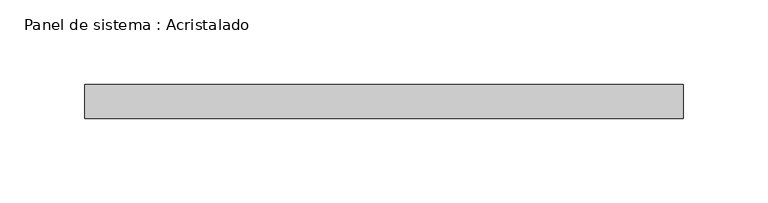
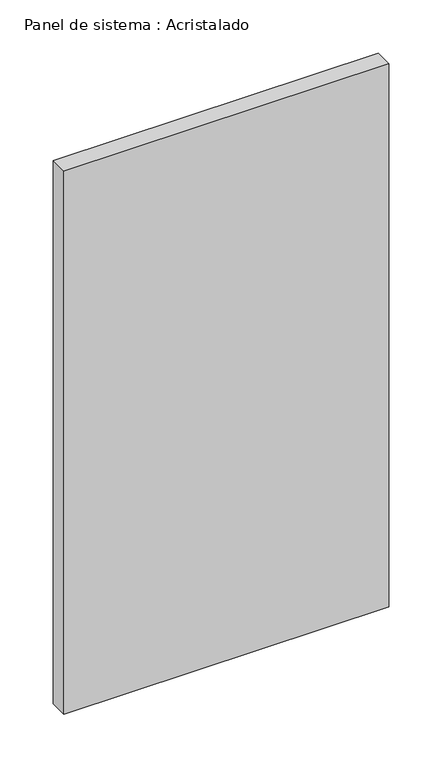
"""IFC4 building model written with IfcOpenShell, lengths in millimetres: plate geometry, Panel de sistema : Acristalado."""

from ifc_helpers import new_model, si_unit, origin, origin_with_axes, place, context, project, spatial, polyline, outline, extrude, source, transform, mapped, element, save


def panel_de_sistema_acristalado_eadc4059(model_context):
    return source(origin(), model_context, "Body", "SweptSolid", [
        extrude(outline(polyline([(176.6666667, -10.0), (-176.6666667, -10.0), (-176.6666667, 10.0), (176.6666667, 10.0), (176.6666667, -10.0)])), origin_with_axes(), (0.0, 0.0, 1.0), 625.0),
    ])


if __name__ == "__main__":
    model = new_model("IFC4")
    model_context = context("Model", 3, world=origin())
    ifc_project = project(units=[si_unit("LENGTHUNIT", "METRE", prefix="MILLI")], contexts=[model_context])
    site = spatial("IfcSite", under=ifc_project)
    building = spatial("IfcBuilding", under=site)
    placement = place(None, origin())
    panel_de_sistema_acristalado_shape = panel_de_sistema_acristalado_eadc4059(model_context)
    element("IfcPlate", 1, ObjectType="Panel de sistema : Acristalado", at=placement, inside=building, context=model_context, shape_type="MappedRepresentation", body=[
        mapped(panel_de_sistema_acristalado_shape, transform((0.0, 0.0, 0.0), x_axis=(1.0, 0.0, 0.0), y_axis=(0.0, 1.0, 0.0), z_axis=(0.0, 0.0, 1.0))),
    ])
    save(model, "model.ifc")
